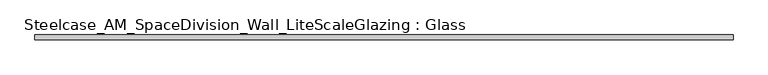
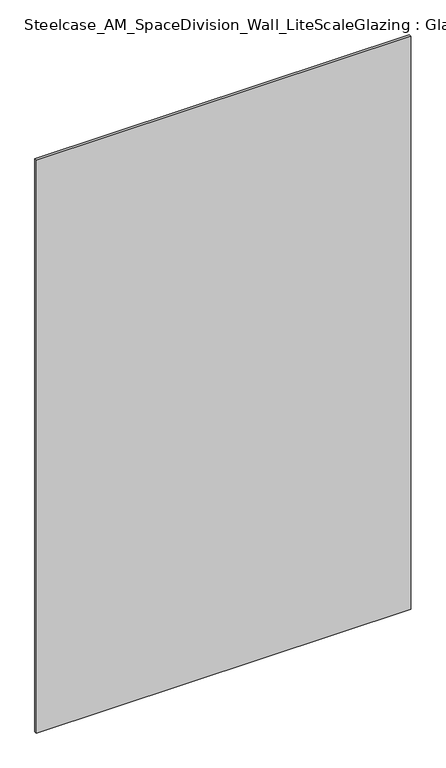
"""IFC4 building model written with IfcOpenShell, lengths in millimetres: plate geometry, Steelcase_AM_SpaceDivision_Wall_LiteScaleGlazing : Glass."""

from ifc_helpers import new_model, si_unit, origin, origin_with_axes, place, context, project, spatial, polyline, outline, extrude, source, transform, mapped, element, save


def steelcase_am_spacedivision_wall_litescaleglazing_glass_36eff790(model_context):
    return source(origin(), model_context, "Body", "SweptSolid", [
        extrude(outline(polyline([(-918.718, -6.349956), (-918.718, 6.3502015), (918.718, 6.3502015), (918.718, -6.349956), (-918.718, -6.349956)])), origin_with_axes(), (0.0, 0.0, 1.0), 2970.784),
    ])


if __name__ == "__main__":
    model = new_model("IFC4")
    model_context = context("Model", 3, world=origin())
    ifc_project = project(units=[si_unit("LENGTHUNIT", "METRE", prefix="MILLI")], contexts=[model_context])
    site = spatial("IfcSite", under=ifc_project)
    building = spatial("IfcBuilding", under=site)
    placement = place(None, origin())
    steelcase_am_spacedivision_wall_litescaleglazing_glass_shape = steelcase_am_spacedivision_wall_litescaleglazing_glass_36eff790(model_context)
    element("IfcPlate", 1, ObjectType="Steelcase_AM_SpaceDivision_Wall_LiteScaleGlazing : Glass", at=placement, inside=building, context=model_context, shape_type="MappedRepresentation", body=[
        mapped(steelcase_am_spacedivision_wall_litescaleglazing_glass_shape, transform((0.0, 0.0, 0.0), x_axis=(1.0, 0.0, 0.0), y_axis=(0.0, 1.0, 0.0), z_axis=(0.0, 0.0, 1.0))),
    ])
    save(model, "model.ifc")
